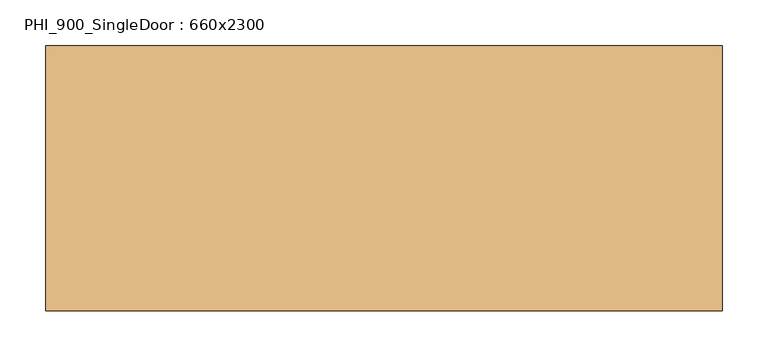
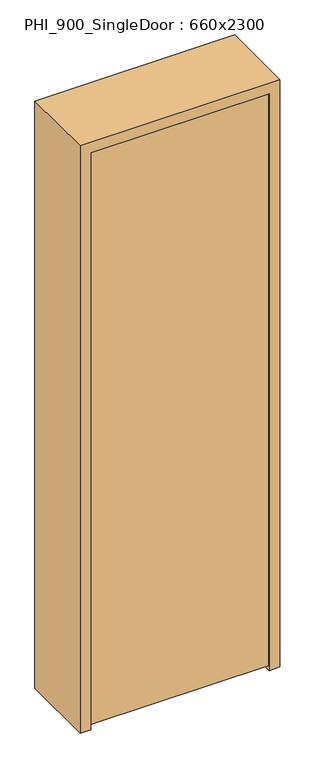
"""IFC4 building model written with IfcOpenShell, lengths in millimetres: door geometry, PHI_900_SingleDoor : 660x2300."""

from ifc_helpers import new_model, si_unit, frame, origin, place, context, project, spatial, polyline, outline, extrude, source, transform, mapped, element, save


def phi_900_singledoor_660x2300_77a7612f(model_context):
    return source(origin(), model_context, "Body", "SweptSolid", [
        extrude(outline(polyline([(328.0, -145.0), (-328.0, -145.0), (-328.0, -95.0), (328.0, -95.0), (328.0, -145.0)])), frame((0.0, 0.0, 20.0), z_axis=(0.0, 0.0, 1.0), x_axis=(1.0, 0.0, 0.0)), (0.0, 0.0, 1.0), 2238.0),
        extrude(outline(polyline([(2300.0, -370.0), (0.0, -370.0), (0.0, -330.0), (2260.0, -330.0), (2260.0, 330.0), (0.0, 330.0), (0.0, 370.0), (2300.0, 370.0), (2300.0, -370.0)])), frame((0.0, -145.0, 0.0), z_axis=(0.0, 1.0, 0.0), x_axis=(0.0, 0.0, 1.0)), (0.0, 0.0, 1.0), 290.0),
        extrude(outline(polyline([(2260.0, -330.0), (0.0, -330.0), (0.0, -310.0), (2240.0, -310.0), (2240.0, 310.0), (0.0, 310.0), (0.0, 330.0), (2260.0, 330.0), (2260.0, -330.0)])), frame((0.0, -95.0, 0.0), z_axis=(0.0, 1.0, 0.0), x_axis=(0.0, 0.0, 1.0)), (0.0, 0.0, 1.0), 95.0),
    ])


if __name__ == "__main__":
    model = new_model("IFC4")
    model_context = context("Model", 3, world=origin())
    ifc_project = project(units=[si_unit("LENGTHUNIT", "METRE", prefix="MILLI")], contexts=[model_context])
    site = spatial("IfcSite", under=ifc_project)
    building = spatial("IfcBuilding", under=site)
    placement = place(None, origin())
    phi_900_singledoor_660x2300_shape = phi_900_singledoor_660x2300_77a7612f(model_context)
    element("IfcDoor", 1, ObjectType="PHI_900_SingleDoor : 660x2300", at=placement, inside=building, context=model_context, shape_type="MappedRepresentation", body=[
        mapped(phi_900_singledoor_660x2300_shape, transform((0.0, 0.0, 0.0), x_axis=(1.0, 0.0, 0.0), y_axis=(0.0, 1.0, 0.0), z_axis=(0.0, 0.0, 1.0))),
    ])
    save(model, "model.ifc")
